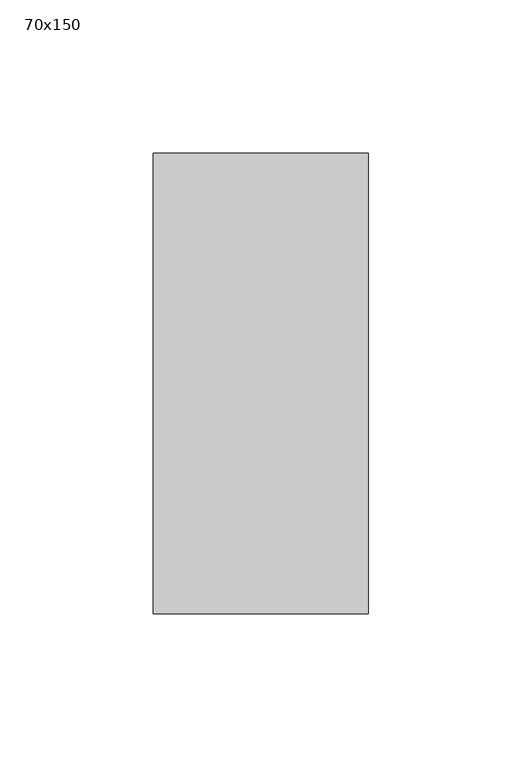
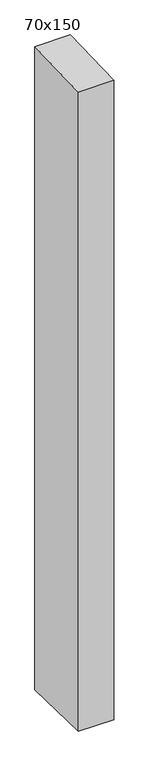
"""IFC4 building model written with IfcOpenShell, lengths in millimetres: member geometry, 70x150."""

import ifcopenshell
import ifcopenshell.guid

model = None  # the IFC model being written
_history = None  # IfcOwnerHistory: only IFC2X3 demands one
_inside = {}  # id of a spatial element -> (the spatial element, [elements in it])
_under = {}  # id of a project, library or spatial element -> (it, [spatial elements below it])
_declared = {}  # id of a project -> (the project, [libraries it declares])
_typed = {}  # id of a type object -> (the type object, [elements of that type])
_made_of = {}  # id of a material, layer set ... -> (it, [elements and type objects made of it])


def new_model(schema):
    """Start an empty IFC model of exactly this schema.

    Asked for "IFC4X3", IfcOpenShell would pick the latest addendum, in which some entities
    have other attributes; the version numbers below select the first issue.
    IFC2X3 requires an IfcOwnerHistory on every rooted entity: one is made here for all.
    """
    global model, _history
    if schema == "IFC4X3":
        model = ifcopenshell.file(schema_version=(4, 3, 0, 0))
    else:
        model = ifcopenshell.file(schema=schema)
    _inside.clear()
    _under.clear()
    _declared.clear()
    _typed.clear()
    _made_of.clear()
    _history = None
    if model.schema == "IFC2X3":
        org = make("IfcOrganization", Name="unknown")
        user = make(
            "IfcPersonAndOrganization",
            ThePerson=make("IfcPerson", FamilyName="unknown"),
            TheOrganization=org,
        )
        app = make(
            "IfcApplication",
            ApplicationDeveloper=org,
            Version="unknown",
            ApplicationFullName="unknown",
            ApplicationIdentifier="unknown",
        )
        _history = make(
            "IfcOwnerHistory",
            OwningUser=user,
            OwningApplication=app,
            ChangeAction="ADDED",
            CreationDate=0,
        )
    return model


def make(cls, **values):
    """One entity of the class cls with the attributes given. An attribute that is None is left unset."""
    return model.create_entity(
        cls, **{name: value for name, value in values.items() if value is not None}
    )


def rooted(cls, **values):
    """An entity with a GlobalId (a new one), such as an element, a storey or a relation."""
    return make(cls, GlobalId=ifcopenshell.guid.new(), OwnerHistory=_history, **values)


def si_unit(unit_type, name, prefix=None):
    """IfcSIUnit, for example si_unit("LENGTHUNIT", "METRE", prefix="MILLI")."""
    return make("IfcSIUnit", UnitType=unit_type, Prefix=prefix, Name=name)


def assignment(units):
    """IfcUnitAssignment: the units of a project."""
    return None if units is None else make("IfcUnitAssignment", Units=units)


def point(xyz):
    """IfcCartesianPoint."""
    return None if xyz is None else make("IfcCartesianPoint", Coordinates=xyz)


def direction(xyz):
    """IfcDirection."""
    return None if xyz is None else make("IfcDirection", DirectionRatios=xyz)


def frame(location, z_axis=None, x_axis=None):
    """IfcAxis2Placement3D, a coordinate frame: its origin and axes. An axis left out is left unset."""
    return make(
        "IfcAxis2Placement3D",
        Location=point(location),
        Axis=direction(z_axis),
        RefDirection=direction(x_axis),
    )


def origin():
    """The frame at (0, 0, 0) with its axes left unset."""
    return frame((0.0, 0.0, 0.0))


def place(relative_to, where):
    """IfcLocalPlacement: puts the frame where relative to a parent placement (None: the world)."""
    return make(
        "IfcLocalPlacement", PlacementRelTo=relative_to, RelativePlacement=where
    )


def context(
    kind, dimensions, precision=None, world=None, true_north=None, identifier=None
):
    """IfcGeometricRepresentationContext, for example the 3D "Model" context."""
    return make(
        "IfcGeometricRepresentationContext",
        ContextIdentifier=identifier,
        ContextType=kind,
        CoordinateSpaceDimension=dimensions,
        Precision=precision,
        WorldCoordinateSystem=world,
        TrueNorth=true_north,
    )


def project(units=None, contexts=None):
    """IfcProject with its units and contexts."""
    return rooted(
        "IfcProject",
        Name="project",
        RepresentationContexts=contexts,
        UnitsInContext=assignment(units),
    )


def spatial(cls, under=None, at=None, **own):
    """A site, building, storey or space (cls), placed at a placement, below another one or the project."""
    s = rooted(cls, ObjectPlacement=at, **own)
    if under is not None:
        _under.setdefault(under.id(), (under, []))[1].append(s)
    return s


def polyline(points):
    """IfcPolyline through the points."""
    return make("IfcPolyline", Points=[point(p) for p in points])


def outline(outer, holes=None, kind="AREA"):
    """IfcArbitraryClosedProfileDef: a profile drawn as a closed curve; with holes, ...WithVoids."""
    if holes is None:
        return make("IfcArbitraryClosedProfileDef", ProfileType=kind, OuterCurve=outer)
    return make(
        "IfcArbitraryProfileDefWithVoids",
        ProfileType=kind,
        OuterCurve=outer,
        InnerCurves=holes,
    )


def extrude(swept, where, along, depth):
    """IfcExtrudedAreaSolid: the profile swept, set in the frame where, extruded along a direction by depth."""
    return make(
        "IfcExtrudedAreaSolid",
        SweptArea=swept,
        Position=where,
        ExtrudedDirection=direction(along),
        Depth=depth,
    )


def shape(context_of_items, identifier, shape_type, items):
    """IfcShapeRepresentation: the items that make up one representation, for example the "Body"."""
    return make(
        "IfcShapeRepresentation",
        ContextOfItems=context_of_items,
        RepresentationIdentifier=identifier,
        RepresentationType=shape_type,
        Items=items,
    )


def source(mapping_origin, context_of_items, identifier, shape_type, items):
    """IfcRepresentationMap: a shape defined once, which mapped items show again and again."""
    return make(
        "IfcRepresentationMap",
        MappingOrigin=mapping_origin,
        MappedRepresentation=shape(context_of_items, identifier, shape_type, items),
    )


def transform(
    local_origin,
    x_axis=None,
    y_axis=None,
    z_axis=None,
    scale=None,
    scale2=None,
    scale3=None,
    uniform=True,
):
    """IfcCartesianTransformationOperator3D, or its non-uniform kind. x_axis, y_axis, z_axis: its Axis1, 2, 3."""
    if uniform:
        return make(
            "IfcCartesianTransformationOperator3D",
            Axis1=direction(x_axis),
            Axis2=direction(y_axis),
            LocalOrigin=point(local_origin),
            Scale=scale,
            Axis3=direction(z_axis),
        )
    return make(
        "IfcCartesianTransformationOperator3DnonUniform",
        Axis1=direction(x_axis),
        Axis2=direction(y_axis),
        LocalOrigin=point(local_origin),
        Scale=scale,
        Axis3=direction(z_axis),
        Scale2=scale2,
        Scale3=scale3,
    )


def mapped(mapping_source, mapping_target):
    """IfcMappedItem: shows the shape of a source again, moved by a transform."""
    return make(
        "IfcMappedItem", MappingSource=mapping_source, MappingTarget=mapping_target
    )


def made_of(thing, what):
    """Note that an element or type object is made of a material, layer set ...; save() writes the relation."""
    if what is not None:
        _made_of.setdefault(what.id(), (what, []))[1].append(thing)
    return thing


def element(
    cls,
    number,
    at=None,
    inside=None,
    cuts=None,
    type_object=None,
    material=None,
    context=None,
    identifier="Body",
    shape_type=None,
    held_by="IfcProductDefinitionShape",
    body=None,
    shapes=None,
    **own,
):
    """One element of the class cls, such as IfcWall. Its Tag is "e" and its number.

    at: its placement. inside: the storey or other place that contains it. cuts: it is an
    opening in that element (IfcRelVoidsElement). A single representation is given by context,
    identifier, shape_type and body (its items); several are given by shapes. held_by: the class
    of the entity that holds the representations. save() writes the other relations.
    """
    e = rooted(cls, Tag="e%d" % number, ObjectPlacement=at, **own)
    if body is not None:
        shapes = [shape(context, identifier, shape_type, body)]
    if shapes is not None:
        e.Representation = make(held_by, Representations=shapes)
    if inside is not None:
        _inside.setdefault(inside.id(), (inside, []))[1].append(e)
    if cuts is not None:
        rooted(
            "IfcRelVoidsElement", RelatingBuildingElement=cuts, RelatedOpeningElement=e
        )
    if type_object is not None:
        _typed.setdefault(type_object.id(), (type_object, []))[1].append(e)
    return made_of(e, material)


def aggregate(whole, parts):
    """IfcRelAggregates: a whole, such as a stair, and the parts it consists of."""
    return rooted("IfcRelAggregates", RelatingObject=whole, RelatedObjects=parts)


def save(model, path):
    """Write the relations noted so far, then the file.

    IfcRelAggregates (storeys below a building ...), IfcRelContainedInSpatialStructure (elements
    in a storey), IfcRelDefinesByType, IfcRelAssociatesMaterial and IfcRelDeclares: one each for
    every whole, place, type object, material and project.
    """
    for whole, parts in _under.values():
        aggregate(whole, parts)
    for where, things in _inside.values():
        rooted(
            "IfcRelContainedInSpatialStructure",
            RelatedElements=things,
            RelatingStructure=where,
        )
    for kind, things in _typed.values():
        rooted("IfcRelDefinesByType", RelatedObjects=things, RelatingType=kind)
    for what, things in _made_of.values():
        rooted("IfcRelAssociatesMaterial", RelatedObjects=things, RelatingMaterial=what)
    for by, libraries in _declared.values():
        rooted("IfcRelDeclares", RelatingContext=by, RelatedDefinitions=libraries)
    model.write(path)


def member_70x150_8201b146(model_context):
    return source(origin(), model_context, "Body", "SweptSolid", [
        extrude(outline(polyline([(-75.0, -2.4033273), (75.0, 2.4033273), (75.0, -1350.8839214), (-75.0, -1347.3669307), (-75.0, -2.4033273)])), frame((-70.0, 0.0, 0.0), z_axis=(1.0, 0.0, 0.0), x_axis=(0.0, 1.0, 0.0)), (0.0, 0.0, 1.0), 70.0),
    ])


if __name__ == "__main__":
    model = new_model("IFC4")
    model_context = context("Model", 3, world=origin())
    ifc_project = project(units=[si_unit("LENGTHUNIT", "METRE", prefix="MILLI")], contexts=[model_context])
    site = spatial("IfcSite", under=ifc_project)
    building = spatial("IfcBuilding", under=site)
    placement = place(None, origin())
    member_70x150_shape = member_70x150_8201b146(model_context)
    element("IfcMember", 1, ObjectType="70x150", at=placement, inside=building, context=model_context, shape_type="MappedRepresentation", body=[
        mapped(member_70x150_shape, transform((0.0, 0.0, 0.0), x_axis=(1.0, 0.0, 0.0), y_axis=(0.0, 1.0, 0.0), z_axis=(0.0, 0.0, 1.0))),
    ])
    save(model, "model.ifc")
